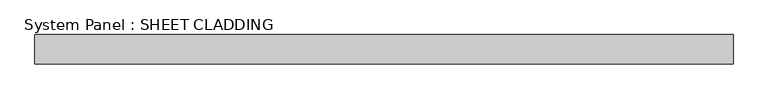
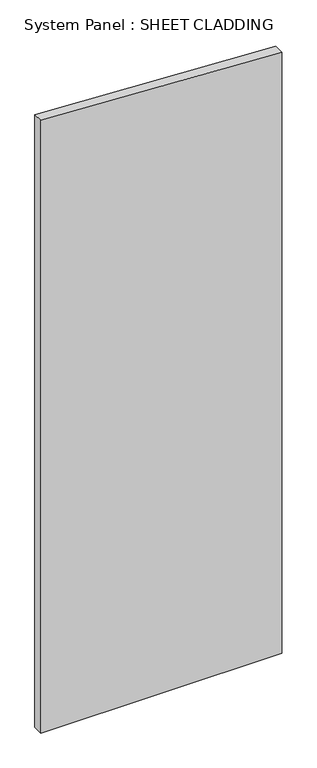
"""IFC4 building model written with IfcOpenShell, lengths in millimetres: plate geometry, System Panel : SHEET CLADDING."""

from ifc_helpers import new_model, si_unit, frame, origin, place, context, project, spatial, polyline, outline, extrude, source, transform, mapped, element, save


def system_panel_sheet_cladding_b5861df4(model_context):
    return source(origin(), model_context, "Body", "SweptSolid", [
        extrude(outline(polyline([(0.0, -718.75), (0.0, 718.75), (3791.35, 718.75), (3863.225, -718.75), (0.0, -718.75)])), frame((0.0, -49.5, 0.0), z_axis=(0.0, 1.0, 0.0), x_axis=(0.0, 0.0, 1.0)), (0.0, 0.0, 1.0), 60.0),
    ])


if __name__ == "__main__":
    model = new_model("IFC4")
    model_context = context("Model", 3, world=origin())
    ifc_project = project(units=[si_unit("LENGTHUNIT", "METRE", prefix="MILLI")], contexts=[model_context])
    site = spatial("IfcSite", under=ifc_project)
    building = spatial("IfcBuilding", under=site)
    placement = place(None, origin())
    system_panel_sheet_cladding_shape = system_panel_sheet_cladding_b5861df4(model_context)
    element("IfcPlate", 1, ObjectType="System Panel : SHEET CLADDING", at=placement, inside=building, context=model_context, shape_type="MappedRepresentation", body=[
        mapped(system_panel_sheet_cladding_shape, transform((0.0, 0.0, 0.0), x_axis=(1.0, 0.0, 0.0), y_axis=(0.0, 1.0, 0.0), z_axis=(0.0, 0.0, 1.0))),
    ])
    save(model, "model.ifc")
